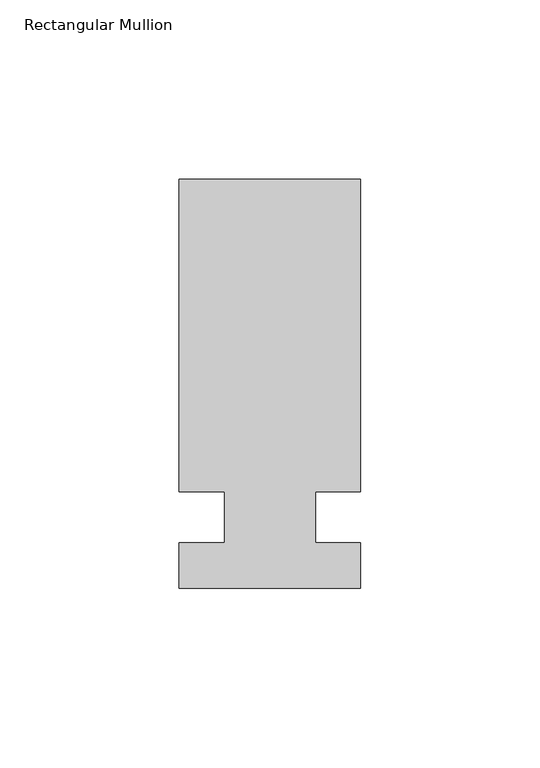
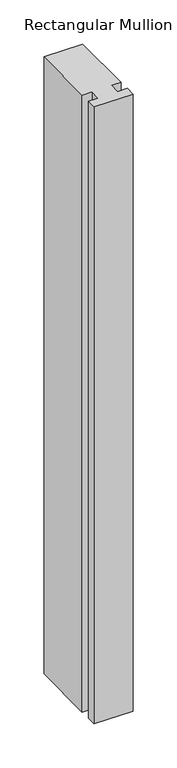
"""IFC4 building model written with IfcOpenShell, lengths in millimetres: member geometry, Rectangular Mullion."""

from ifc_helpers import new_model, si_unit, frame, origin, place, context, project, spatial, polyline, outline, extrude, source, transform, mapped, element, save


def rectangular_mullion_16d6f0ee(model_context):
    return source(origin(), model_context, "Body", "SweptSolid", [
        extrude(outline(polyline([(29.7344027, 94.45625), (29.7344027, 7.14375), (17.0326322, 7.14375), (17.0326322, -7.14375), (29.7344027, -7.14375), (29.7344027, -19.84375), (-21.0655973, -19.84375), (-21.0655973, -7.14375), (-8.3655973, -7.14375), (-8.3655973, 7.14375), (-21.0655973, 7.14375), (-21.0655973, 94.45625), (29.7344027, 94.45625)])), frame((0.0, 0.0, -855.2344027), z_axis=(0.0, 0.0, 1.0), x_axis=(1.0, 0.0, 0.0)), (0.0, 0.0, 1.0), 855.2344027),
    ])


if __name__ == "__main__":
    model = new_model("IFC4")
    model_context = context("Model", 3, world=origin())
    ifc_project = project(units=[si_unit("LENGTHUNIT", "METRE", prefix="MILLI")], contexts=[model_context])
    site = spatial("IfcSite", under=ifc_project)
    building = spatial("IfcBuilding", under=site)
    placement = place(None, origin())
    rectangular_mullion_shape = rectangular_mullion_16d6f0ee(model_context)
    element("IfcMember", 1, ObjectType="Rectangular Mullion", at=placement, inside=building, context=model_context, shape_type="MappedRepresentation", body=[
        mapped(rectangular_mullion_shape, transform((0.0, 0.0, 0.0), x_axis=(1.0, 0.0, 0.0), y_axis=(0.0, 1.0, 0.0), z_axis=(0.0, 0.0, 1.0))),
    ])
    save(model, "model.ifc")
